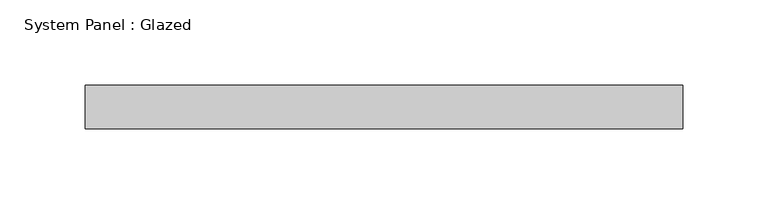
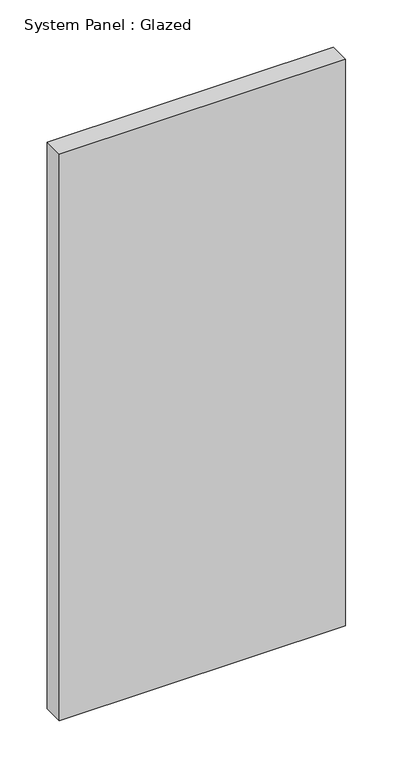
"""IFC4 building model written with IfcOpenShell, lengths in millimetres: plate geometry, System Panel : Glazed."""

from ifc_helpers import new_model, si_unit, origin, origin_with_axes, place, context, project, spatial, polyline, outline, extrude, source, transform, mapped, element, save


def system_panel_glazed_065e718d(model_context):
    return source(origin(), model_context, "Body", "SweptSolid", [
        extrude(outline(polyline([(174.625, -12.7), (-174.625, -12.7), (-174.625, 12.7), (174.625, 12.7), (174.625, -12.7)])), origin_with_axes(), (0.0, 0.0, 1.0), 730.25),
    ])


if __name__ == "__main__":
    model = new_model("IFC4")
    model_context = context("Model", 3, world=origin())
    ifc_project = project(units=[si_unit("LENGTHUNIT", "METRE", prefix="MILLI")], contexts=[model_context])
    site = spatial("IfcSite", under=ifc_project)
    building = spatial("IfcBuilding", under=site)
    placement = place(None, origin())
    system_panel_glazed_shape = system_panel_glazed_065e718d(model_context)
    element("IfcPlate", 1, ObjectType="System Panel : Glazed", at=placement, inside=building, context=model_context, shape_type="MappedRepresentation", body=[
        mapped(system_panel_glazed_shape, transform((0.0, 0.0, 0.0), x_axis=(1.0, 0.0, 0.0), y_axis=(0.0, 1.0, 0.0), z_axis=(0.0, 0.0, 1.0))),
    ])
    save(model, "model.ifc")
